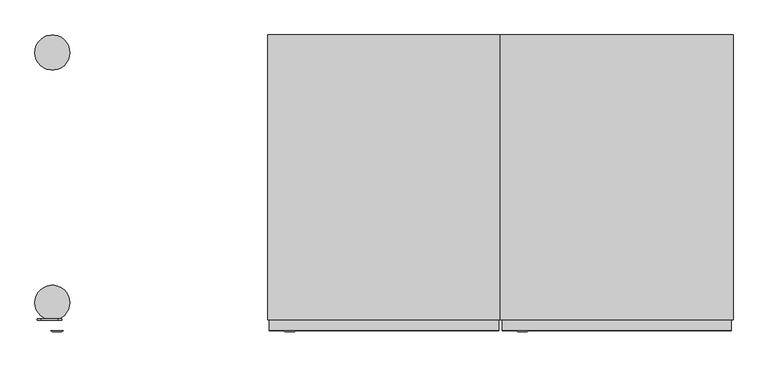
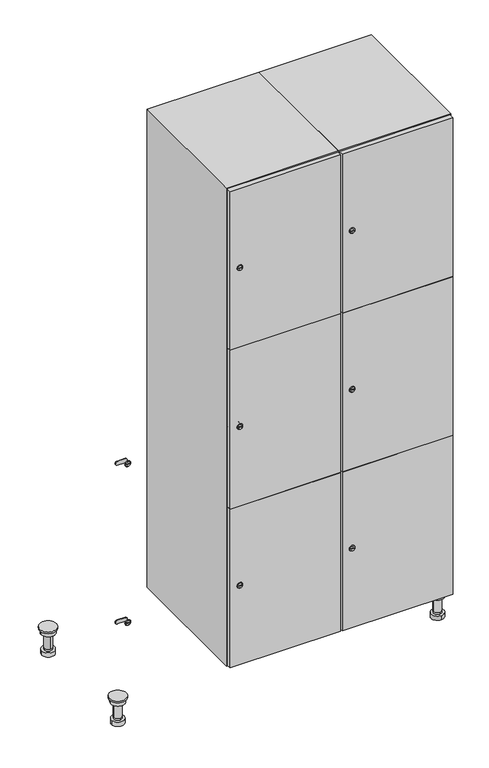
"""IFC4 building model written with IfcOpenShell, lengths in millimetres: furniture geometry."""

from ifc_helpers import new_model, si_unit, point, frame, frame_2d, origin, place, context, project, spatial, polyline, circle_curve, trimmed, segment, composite_curve, outline, extrude, faceted_brep, source, transform, mapped, element, save
from ifc_brep_helpers import plane_surface, cylinder_surface, revolved_surface, advanced_brep


def furniture_688e6725(model_context):
    return source(origin(), model_context, "Body", "SolidModel", [
        advanced_brep(
        [(970.0, -201.0, 22.0), (970.0, -201.5, 16.0), (970.0, -228.5, 16.0), (970.0, -229.0, 22.0), (956.0, -215.0, 22.0), (984.0, -215.0, 22.0), (970.0, -192.5, 16.0), (970.0, -237.5, 16.0), (970.0, -192.5, 0.0), (970.0, -237.5, 0.0), (984.0, -215.0, 78.0), (956.0, -215.0, 78.0), (995.0, -215.0, 78.0), (945.0, -215.0, 78.0), (1000.0, -215.0, 94.0), (940.0, -215.0, 94.0), (945.0, -215.0, 94.0), (995.0, -215.0, 94.0), (1000.0, -215.0, 100.0), (940.0, -215.0, 100.0)],
        [
            (0, 1),
            (1, 2, circle_curve(frame((970.0, -215.0, 16.0), z_axis=(0.0, 0.0, 1.0), x_axis=(0.0, -1.0, 0.0)), 13.5)),
            (2, 3),
            (3, 4, circle_curve(frame((970.0, -215.0, 22.0), z_axis=(0.0, 0.0, -1.0), x_axis=(0.0, -1.0, 0.0)), 14.0)),
            (4, 0, circle_curve(frame((970.0, -215.0, 22.0), z_axis=(0.0, 0.0, -1.0), x_axis=(0.0, -1.0, 0.0)), 14.0)),
            (0, 5, circle_curve(frame((970.0, -215.0, 22.0), z_axis=(0.0, 0.0, -1.0), x_axis=(0.0, 1.0, 0.0)), 14.0)),
            (5, 3, circle_curve(frame((970.0, -215.0, 22.0), z_axis=(0.0, 0.0, -1.0), x_axis=(0.0, 1.0, 0.0)), 14.0)),
            (2, 1, circle_curve(frame((970.0, -215.0, 16.0), z_axis=(0.0, 0.0, 1.0), x_axis=(0.0, 1.0, 0.0)), 13.5)),
            (6, 7, circle_curve(frame((970.0, -215.0, 16.0), z_axis=(0.0, 0.0, 1.0), x_axis=(0.0, -1.0, 0.0)), 22.5)),
            (7, 6, circle_curve(frame((970.0, -215.0, 16.0), z_axis=(0.0, 0.0, 1.0), x_axis=(0.0, -1.0, 0.0)), 22.5)),
            (8, 9, circle_curve(frame((970.0, -215.0, 0.0), z_axis=(0.0, 0.0, -1.0), x_axis=(0.0, -1.0, 0.0)), 22.5)),
            (9, 8, circle_curve(frame((970.0, -215.0, 0.0), z_axis=(0.0, 0.0, -1.0), x_axis=(0.0, -1.0, 0.0)), 22.5)),
            (6, 8),
            (9, 7),
            (5, 10),
            (10, 11, circle_curve(frame((970.0, -215.0, 78.0), z_axis=(0.0, 0.0, -1.0), x_axis=(-1.0, 0.0, 0.0)), 14.0)),
            (11, 4),
            (11, 10, circle_curve(frame((970.0, -215.0, 78.0), z_axis=(0.0, 0.0, -1.0), x_axis=(-1.0, 0.0, 0.0)), 14.0)),
            (12, 13, circle_curve(frame((970.0, -215.0, 78.0), z_axis=(0.0, 0.0, -1.0), x_axis=(-1.0, 0.0, 0.0)), 25.0)),
            (13, 12, circle_curve(frame((970.0, -215.0, 78.0), z_axis=(0.0, 0.0, -1.0), x_axis=(-1.0, 0.0, 0.0)), 25.0)),
            (14, 15, circle_curve(frame((970.0, -215.0, 94.0), z_axis=(0.0, 0.0, -1.0), x_axis=(-1.0, 0.0, 0.0)), 30.0)),
            (15, 14, circle_curve(frame((970.0, -215.0, 94.0), z_axis=(0.0, 0.0, -1.0), x_axis=(-1.0, 0.0, 0.0)), 30.0)),
            (16, 17, circle_curve(frame((970.0, -215.0, 94.0), z_axis=(0.0, 0.0, 1.0), x_axis=(-1.0, 0.0, 0.0)), 25.0)),
            (17, 16, circle_curve(frame((970.0, -215.0, 94.0), z_axis=(0.0, 0.0, 1.0), x_axis=(-1.0, 0.0, 0.0)), 25.0)),
            (18, 19, circle_curve(frame((970.0, -215.0, 100.0), z_axis=(0.0, 0.0, 1.0), x_axis=(-1.0, 0.0, 0.0)), 30.0)),
            (19, 18, circle_curve(frame((970.0, -215.0, 100.0), z_axis=(0.0, 0.0, 1.0), x_axis=(-1.0, 0.0, 0.0)), 30.0)),
            (14, 18),
            (19, 15),
            (12, 17),
            (16, 13),
        ],
        [
            revolved_surface(polyline([(970.0, -201.5, 16.0), (970.0, -201.0, 22.0)]), (970.0, -215.0, -146.0), (0.0, 0.0, 1.0)),
            plane_surface(frame((970.0, 0.0, 16.0), z_axis=(0.0, 0.0, 1.0), x_axis=(0.0, -1.0, 0.0))),
            plane_surface(frame((970.0, 0.0, 0.0), z_axis=(0.0, 0.0, -1.0), x_axis=(0.0, -1.0, 0.0))),
            cylinder_surface(frame((970.0, -215.0, 16.0), z_axis=(0.0, 0.0, 1.0), x_axis=(0.0, -1.0, 0.0)), 22.5),
            cylinder_surface(frame((970.0, -215.0, 22.0), z_axis=(0.0, 0.0, -1.0), x_axis=(-1.0, 0.0, 0.0)), 14.0),
            plane_surface(frame((970.0, 0.0, 78.0), z_axis=(0.0, 0.0, -1.0), x_axis=(0.0, -1.0, 0.0))),
            plane_surface(frame((970.0, 0.0, 94.0), z_axis=(0.0, 0.0, -1.0), x_axis=(0.0, -1.0, 0.0))),
            plane_surface(frame((970.0, 0.0, 100.0), z_axis=(0.0, 0.0, 1.0), x_axis=(0.0, -1.0, 0.0))),
            cylinder_surface(frame((970.0, -215.0, 94.0), z_axis=(0.0, 0.0, -1.0), x_axis=(-1.0, 0.0, 0.0)), 30.0),
            cylinder_surface(frame((970.0, -215.0, 78.0), z_axis=(0.0, 0.0, -1.0), x_axis=(-1.0, 0.0, 0.0)), 25.0),
        ],
        [
            (0, [[1, 2, 3, 4, 5]]),
            (0, [[-1, 6, 7, -3, 8]]),
            (1, [[9, 10], [-2, -8]]),
            (2, [[11, 12]]),
            (3, [[-9, 13, -12, 14]]),
            (3, [[-10, -14, -11, -13]]),
            (4, [[15, 16, 17, -4, -7]]),
            (4, [[-15, -6, -5, -17, 18]]),
            (5, [[19, 20], [-16, -18]]),
            (6, [[21, 22], [23, 24]]),
            (7, [[25, 26]]),
            (8, [[-21, 27, -26, 28]]),
            (8, [[-22, -28, -25, -27]]),
            (9, [[-19, 29, -23, 30]]),
            (9, [[-20, -30, -24, -29]]),
        ],
    ),
        advanced_brep(
        [(-170.0, -201.0, 22.0), (-170.0, -201.5, 16.0), (-170.0, -228.5, 16.0), (-170.0, -229.0, 22.0), (-184.0, -215.0, 22.0), (-156.0, -215.0, 22.0), (-147.5, -215.0, 0.0), (-192.5, -215.0, 0.0), (-147.5, -215.0, 16.0), (-192.5, -215.0, 16.0), (-156.0, -215.0, 78.0), (-184.0, -215.0, 78.0), (-145.0, -215.0, 78.0), (-195.0, -215.0, 78.0), (-140.0, -215.0, 94.0), (-200.0, -215.0, 94.0), (-195.0, -215.0, 94.0), (-145.0, -215.0, 94.0), (-140.0, -215.0, 100.0), (-200.0, -215.0, 100.0)],
        [
            (0, 1),
            (1, 2, circle_curve(frame((-170.0, -215.0, 16.0), z_axis=(0.0, 0.0, 1.0), x_axis=(0.0, -1.0, 0.0)), 13.5)),
            (2, 3),
            (3, 4, circle_curve(frame((-170.0, -215.0, 22.0), z_axis=(0.0, 0.0, -1.0), x_axis=(0.0, -1.0, 0.0)), 14.0)),
            (4, 0, circle_curve(frame((-170.0, -215.0, 22.0), z_axis=(0.0, 0.0, -1.0), x_axis=(0.0, -1.0, 0.0)), 14.0)),
            (0, 5, circle_curve(frame((-170.0, -215.0, 22.0), z_axis=(0.0, 0.0, -1.0), x_axis=(0.0, 1.0, 0.0)), 14.0)),
            (5, 3, circle_curve(frame((-170.0, -215.0, 22.0), z_axis=(0.0, 0.0, -1.0), x_axis=(0.0, 1.0, 0.0)), 14.0)),
            (2, 1, circle_curve(frame((-170.0, -215.0, 16.0), z_axis=(0.0, 0.0, 1.0), x_axis=(0.0, 1.0, 0.0)), 13.5)),
            (6, 7, circle_curve(frame((-170.0, -215.0, 0.0), z_axis=(0.0, 0.0, -1.0), x_axis=(-1.0, 0.0, 0.0)), 22.5)),
            (7, 6, circle_curve(frame((-170.0, -215.0, 0.0), z_axis=(0.0, 0.0, -1.0), x_axis=(-1.0, 0.0, 0.0)), 22.5)),
            (8, 9, circle_curve(frame((-170.0, -215.0, 16.0), z_axis=(0.0, 0.0, 1.0), x_axis=(-1.0, 0.0, 0.0)), 22.5)),
            (9, 8, circle_curve(frame((-170.0, -215.0, 16.0), z_axis=(0.0, 0.0, 1.0), x_axis=(-1.0, 0.0, 0.0)), 22.5)),
            (6, 8),
            (9, 7),
            (5, 10),
            (10, 11, circle_curve(frame((-170.0, -215.0, 78.0), z_axis=(0.0, 0.0, -1.0), x_axis=(-1.0, 0.0, 0.0)), 14.0)),
            (11, 4),
            (11, 10, circle_curve(frame((-170.0, -215.0, 78.0), z_axis=(0.0, 0.0, -1.0), x_axis=(-1.0, 0.0, 0.0)), 14.0)),
            (12, 13, circle_curve(frame((-170.0, -215.0, 78.0), z_axis=(0.0, 0.0, -1.0), x_axis=(-1.0, 0.0, 0.0)), 25.0)),
            (13, 12, circle_curve(frame((-170.0, -215.0, 78.0), z_axis=(0.0, 0.0, -1.0), x_axis=(-1.0, 0.0, 0.0)), 25.0)),
            (14, 15, circle_curve(frame((-170.0, -215.0, 94.0), z_axis=(0.0, 0.0, -1.0), x_axis=(-1.0, 0.0, 0.0)), 30.0)),
            (15, 14, circle_curve(frame((-170.0, -215.0, 94.0), z_axis=(0.0, 0.0, -1.0), x_axis=(-1.0, 0.0, 0.0)), 30.0)),
            (16, 17, circle_curve(frame((-170.0, -215.0, 94.0), z_axis=(0.0, 0.0, 1.0), x_axis=(-1.0, 0.0, 0.0)), 25.0)),
            (17, 16, circle_curve(frame((-170.0, -215.0, 94.0), z_axis=(0.0, 0.0, 1.0), x_axis=(-1.0, 0.0, 0.0)), 25.0)),
            (18, 19, circle_curve(frame((-170.0, -215.0, 100.0), z_axis=(0.0, 0.0, 1.0), x_axis=(-1.0, 0.0, 0.0)), 30.0)),
            (19, 18, circle_curve(frame((-170.0, -215.0, 100.0), z_axis=(0.0, 0.0, 1.0), x_axis=(-1.0, 0.0, 0.0)), 30.0)),
            (14, 18),
            (19, 15),
            (12, 17),
            (16, 13),
        ],
        [
            revolved_surface(polyline([(-170.0, -201.5, 16.0), (-170.0, -201.0, 22.0)]), (-170.0, -215.0, -146.0), (0.0, 0.0, 1.0)),
            plane_surface(frame((-170.0, 0.0, 0.0), z_axis=(0.0, 0.0, -1.0), x_axis=(0.0, -1.0, 0.0))),
            plane_surface(frame((-170.0, 0.0, 16.0), z_axis=(0.0, 0.0, 1.0), x_axis=(0.0, -1.0, 0.0))),
            cylinder_surface(frame((-170.0, -215.0, 0.0), z_axis=(0.0, 0.0, -1.0), x_axis=(-1.0, 0.0, 0.0)), 22.5),
            cylinder_surface(frame((-170.0, -215.0, 22.0), z_axis=(0.0, 0.0, -1.0), x_axis=(-1.0, 0.0, 0.0)), 14.0),
            plane_surface(frame((-170.0, 0.0, 78.0), z_axis=(0.0, 0.0, -1.0), x_axis=(0.0, -1.0, 0.0))),
            plane_surface(frame((-170.0, 0.0, 94.0), z_axis=(0.0, 0.0, -1.0), x_axis=(0.0, -1.0, 0.0))),
            plane_surface(frame((-170.0, 0.0, 100.0), z_axis=(0.0, 0.0, 1.0), x_axis=(0.0, -1.0, 0.0))),
            cylinder_surface(frame((-170.0, -215.0, 94.0), z_axis=(0.0, 0.0, -1.0), x_axis=(-1.0, 0.0, 0.0)), 30.0),
            cylinder_surface(frame((-170.0, -215.0, 78.0), z_axis=(0.0, 0.0, -1.0), x_axis=(-1.0, 0.0, 0.0)), 25.0),
        ],
        [
            (0, [[1, 2, 3, 4, 5]]),
            (0, [[-1, 6, 7, -3, 8]]),
            (1, [[9, 10]]),
            (2, [[11, 12], [-2, -8]]),
            (3, [[-9, 13, -12, 14]]),
            (3, [[-10, -14, -11, -13]]),
            (4, [[15, 16, 17, -4, -7]]),
            (4, [[-15, -6, -5, -17, 18]]),
            (5, [[19, 20], [-16, -18]]),
            (6, [[21, 22], [23, 24]]),
            (7, [[25, 26]]),
            (8, [[-21, 27, -26, 28]]),
            (8, [[-22, -28, -25, -27]]),
            (9, [[-19, 29, -23, 30]]),
            (9, [[-20, -30, -24, -29]]),
        ],
    ),
        advanced_brep(
        [(983.5, 215.0, 16.0), (984.0, 215.0, 22.0), (956.0, 215.0, 22.0), (956.5, 215.0, 16.0), (992.5, 215.0, 0.0), (947.5, 215.0, 0.0), (992.5, 215.0, 16.0), (947.5, 215.0, 16.0), (984.0, 215.0, 78.0), (956.0, 215.0, 78.0), (995.0, 215.0, 78.0), (945.0, 215.0, 78.0), (1000.0, 215.0, 94.0), (940.0, 215.0, 94.0), (945.0, 215.0, 94.0), (995.0, 215.0, 94.0), (1000.0, 215.0, 100.0), (940.0, 215.0, 100.0)],
        [
            (0, 1),
            (1, 2, circle_curve(frame((970.0, 215.0, 22.0), z_axis=(0.0, 0.0, -1.0), x_axis=(-1.0, 0.0, 0.0)), 14.0)),
            (2, 3),
            (3, 0, circle_curve(frame((970.0, 215.0, 16.0), z_axis=(0.0, 0.0, 1.0), x_axis=(-1.0, 0.0, 0.0)), 13.5)),
            (0, 3, circle_curve(frame((970.0, 215.0, 16.0), z_axis=(0.0, 0.0, 1.0), x_axis=(1.0, 0.0, 0.0)), 13.5)),
            (2, 1, circle_curve(frame((970.0, 215.0, 22.0), z_axis=(0.0, 0.0, -1.0), x_axis=(1.0, 0.0, 0.0)), 14.0)),
            (4, 5, circle_curve(frame((970.0, 215.0, 0.0), z_axis=(0.0, 0.0, -1.0), x_axis=(-1.0, 0.0, 0.0)), 22.5)),
            (5, 4, circle_curve(frame((970.0, 215.0, 0.0), z_axis=(0.0, 0.0, -1.0), x_axis=(-1.0, 0.0, 0.0)), 22.5)),
            (6, 7, circle_curve(frame((970.0, 215.0, 16.0), z_axis=(0.0, 0.0, 1.0), x_axis=(-1.0, 0.0, 0.0)), 22.5)),
            (7, 6, circle_curve(frame((970.0, 215.0, 16.0), z_axis=(0.0, 0.0, 1.0), x_axis=(-1.0, 0.0, 0.0)), 22.5)),
            (4, 6),
            (7, 5),
            (1, 8),
            (8, 9, circle_curve(frame((970.0, 215.0, 78.0), z_axis=(0.0, 0.0, -1.0), x_axis=(-1.0, 0.0, 0.0)), 14.0)),
            (9, 2),
            (9, 8, circle_curve(frame((970.0, 215.0, 78.0), z_axis=(0.0, 0.0, -1.0), x_axis=(-1.0, 0.0, 0.0)), 14.0)),
            (10, 11, circle_curve(frame((970.0, 215.0, 78.0), z_axis=(0.0, 0.0, -1.0), x_axis=(-1.0, 0.0, 0.0)), 25.0)),
            (11, 10, circle_curve(frame((970.0, 215.0, 78.0), z_axis=(0.0, 0.0, -1.0), x_axis=(-1.0, 0.0, 0.0)), 25.0)),
            (12, 13, circle_curve(frame((970.0, 215.0, 94.0), z_axis=(0.0, 0.0, -1.0), x_axis=(-1.0, 0.0, 0.0)), 30.0)),
            (13, 12, circle_curve(frame((970.0, 215.0, 94.0), z_axis=(0.0, 0.0, -1.0), x_axis=(-1.0, 0.0, 0.0)), 30.0)),
            (14, 15, circle_curve(frame((970.0, 215.0, 94.0), z_axis=(0.0, 0.0, 1.0), x_axis=(-1.0, 0.0, 0.0)), 25.0)),
            (15, 14, circle_curve(frame((970.0, 215.0, 94.0), z_axis=(0.0, 0.0, 1.0), x_axis=(-1.0, 0.0, 0.0)), 25.0)),
            (16, 17, circle_curve(frame((970.0, 215.0, 100.0), z_axis=(0.0, 0.0, 1.0), x_axis=(-1.0, 0.0, 0.0)), 30.0)),
            (17, 16, circle_curve(frame((970.0, 215.0, 100.0), z_axis=(0.0, 0.0, 1.0), x_axis=(-1.0, 0.0, 0.0)), 30.0)),
            (12, 16),
            (17, 13),
            (10, 15),
            (14, 11),
        ],
        [
            revolved_surface(polyline([(983.5, 215.0, 16.0), (984.0, 215.0, 22.0)]), (970.0, 215.0, -146.0), (0.0, 0.0, 1.0)),
            plane_surface(frame((970.0, 0.0, 0.0), z_axis=(0.0, 0.0, -1.0), x_axis=(0.0, -1.0, 0.0))),
            plane_surface(frame((970.0, 0.0, 16.0), z_axis=(0.0, 0.0, 1.0), x_axis=(0.0, -1.0, 0.0))),
            cylinder_surface(frame((970.0, 215.0, 0.0), z_axis=(0.0, 0.0, -1.0), x_axis=(-1.0, 0.0, 0.0)), 22.5),
            cylinder_surface(frame((970.0, 215.0, 22.0), z_axis=(0.0, 0.0, -1.0), x_axis=(-1.0, 0.0, 0.0)), 14.0),
            plane_surface(frame((970.0, 0.0, 78.0), z_axis=(0.0, 0.0, -1.0), x_axis=(0.0, -1.0, 0.0))),
            plane_surface(frame((970.0, 0.0, 94.0), z_axis=(0.0, 0.0, -1.0), x_axis=(0.0, -1.0, 0.0))),
            plane_surface(frame((970.0, 0.0, 100.0), z_axis=(0.0, 0.0, 1.0), x_axis=(0.0, -1.0, 0.0))),
            cylinder_surface(frame((970.0, 215.0, 94.0), z_axis=(0.0, 0.0, -1.0), x_axis=(-1.0, 0.0, 0.0)), 30.0),
            cylinder_surface(frame((970.0, 215.0, 78.0), z_axis=(0.0, 0.0, -1.0), x_axis=(-1.0, 0.0, 0.0)), 25.0),
        ],
        [
            (0, [[1, 2, 3, 4]]),
            (0, [[-1, 5, -3, 6]]),
            (1, [[7, 8]]),
            (2, [[9, 10], [-4, -5]]),
            (3, [[-7, 11, -10, 12]]),
            (3, [[-8, -12, -9, -11]]),
            (4, [[13, 14, 15, -2]]),
            (4, [[-13, -6, -15, 16]]),
            (5, [[17, 18], [-14, -16]]),
            (6, [[19, 20], [21, 22]]),
            (7, [[23, 24]]),
            (8, [[-19, 25, -24, 26]]),
            (8, [[-20, -26, -23, -25]]),
            (9, [[-17, 27, -21, 28]]),
            (9, [[-18, -28, -22, -27]]),
        ],
    ),
        advanced_brep(
        [(-156.5, 215.0, 16.0), (-156.0, 215.0, 22.0), (-170.0, 201.0, 22.0), (-184.0, 215.0, 22.0), (-183.5, 215.0, 16.0), (-170.0, 229.0, 22.0), (-147.5, 215.0, 0.0), (-192.5, 215.0, 0.0), (-147.5, 215.0, 16.0), (-192.5, 215.0, 16.0), (-170.0, 229.0, 78.0), (-170.0, 201.0, 78.0), (-145.0, 215.0, 78.0), (-195.0, 215.0, 78.0), (-140.0, 215.0, 94.0), (-200.0, 215.0, 94.0), (-195.0, 215.0, 94.0), (-145.0, 215.0, 94.0), (-140.0, 215.0, 100.0), (-200.0, 215.0, 100.0)],
        [
            (0, 1),
            (1, 2, circle_curve(frame((-170.0, 215.0, 22.0), z_axis=(0.0, 0.0, -1.0), x_axis=(-1.0, 0.0, 0.0)), 14.0)),
            (2, 3, circle_curve(frame((-170.0, 215.0, 22.0), z_axis=(0.0, 0.0, -1.0), x_axis=(-1.0, 0.0, 0.0)), 14.0)),
            (3, 4),
            (4, 0, circle_curve(frame((-170.0, 215.0, 16.0), z_axis=(0.0, 0.0, 1.0), x_axis=(-1.0, 0.0, 0.0)), 13.5)),
            (0, 4, circle_curve(frame((-170.0, 215.0, 16.0), z_axis=(0.0, 0.0, 1.0), x_axis=(1.0, 0.0, 0.0)), 13.5)),
            (3, 5, circle_curve(frame((-170.0, 215.0, 22.0), z_axis=(0.0, 0.0, -1.0), x_axis=(1.0, 0.0, 0.0)), 14.0)),
            (5, 1, circle_curve(frame((-170.0, 215.0, 22.0), z_axis=(0.0, 0.0, -1.0), x_axis=(1.0, 0.0, 0.0)), 14.0)),
            (6, 7, circle_curve(frame((-170.0, 215.0, 0.0), z_axis=(0.0, 0.0, -1.0), x_axis=(-1.0, 0.0, 0.0)), 22.5)),
            (7, 6, circle_curve(frame((-170.0, 215.0, 0.0), z_axis=(0.0, 0.0, -1.0), x_axis=(-1.0, 0.0, 0.0)), 22.5)),
            (8, 9, circle_curve(frame((-170.0, 215.0, 16.0), z_axis=(0.0, 0.0, 1.0), x_axis=(-1.0, 0.0, 0.0)), 22.5)),
            (9, 8, circle_curve(frame((-170.0, 215.0, 16.0), z_axis=(0.0, 0.0, 1.0), x_axis=(-1.0, 0.0, 0.0)), 22.5)),
            (6, 8),
            (9, 7),
            (10, 5),
            (2, 11),
            (11, 10, circle_curve(frame((-170.0, 215.0, 78.0), z_axis=(0.0, 0.0, -1.0), x_axis=(0.0, -1.0, 0.0)), 14.0)),
            (10, 11, circle_curve(frame((-170.0, 215.0, 78.0), z_axis=(0.0, 0.0, -1.0), x_axis=(0.0, -1.0, 0.0)), 14.0)),
            (12, 13, circle_curve(frame((-170.0, 215.0, 78.0), z_axis=(0.0, 0.0, -1.0), x_axis=(-1.0, 0.0, 0.0)), 25.0)),
            (13, 12, circle_curve(frame((-170.0, 215.0, 78.0), z_axis=(0.0, 0.0, -1.0), x_axis=(-1.0, 0.0, 0.0)), 25.0)),
            (14, 15, circle_curve(frame((-170.0, 215.0, 94.0), z_axis=(0.0, 0.0, -1.0), x_axis=(-1.0, 0.0, 0.0)), 30.0)),
            (15, 14, circle_curve(frame((-170.0, 215.0, 94.0), z_axis=(0.0, 0.0, -1.0), x_axis=(-1.0, 0.0, 0.0)), 30.0)),
            (16, 17, circle_curve(frame((-170.0, 215.0, 94.0), z_axis=(0.0, 0.0, 1.0), x_axis=(-1.0, 0.0, 0.0)), 25.0)),
            (17, 16, circle_curve(frame((-170.0, 215.0, 94.0), z_axis=(0.0, 0.0, 1.0), x_axis=(-1.0, 0.0, 0.0)), 25.0)),
            (18, 19, circle_curve(frame((-170.0, 215.0, 100.0), z_axis=(0.0, 0.0, 1.0), x_axis=(-1.0, 0.0, 0.0)), 30.0)),
            (19, 18, circle_curve(frame((-170.0, 215.0, 100.0), z_axis=(0.0, 0.0, 1.0), x_axis=(-1.0, 0.0, 0.0)), 30.0)),
            (14, 18),
            (19, 15),
            (12, 17),
            (16, 13),
        ],
        [
            revolved_surface(polyline([(-156.5, 215.0, 16.0), (-156.0, 215.0, 22.0)]), (-170.0, 215.0, -146.0), (0.0, 0.0, 1.0)),
            plane_surface(frame((-170.0, 0.0, 0.0), z_axis=(0.0, 0.0, -1.0), x_axis=(0.0, -1.0, 0.0))),
            plane_surface(frame((-170.0, 0.0, 16.0), z_axis=(0.0, 0.0, 1.0), x_axis=(0.0, -1.0, 0.0))),
            cylinder_surface(frame((-170.0, 215.0, 0.0), z_axis=(0.0, 0.0, -1.0), x_axis=(-1.0, 0.0, 0.0)), 22.5),
            cylinder_surface(frame((-170.0, 215.0, 78.0), z_axis=(0.0, 0.0, 1.0), x_axis=(0.0, -1.0, 0.0)), 14.0),
            plane_surface(frame((-170.0, 0.0, 78.0), z_axis=(0.0, 0.0, -1.0), x_axis=(0.0, -1.0, 0.0))),
            plane_surface(frame((-170.0, 0.0, 94.0), z_axis=(0.0, 0.0, -1.0), x_axis=(0.0, -1.0, 0.0))),
            plane_surface(frame((-170.0, 0.0, 100.0), z_axis=(0.0, 0.0, 1.0), x_axis=(0.0, -1.0, 0.0))),
            cylinder_surface(frame((-170.0, 215.0, 94.0), z_axis=(0.0, 0.0, -1.0), x_axis=(-1.0, 0.0, 0.0)), 30.0),
            cylinder_surface(frame((-170.0, 215.0, 78.0), z_axis=(0.0, 0.0, -1.0), x_axis=(-1.0, 0.0, 0.0)), 25.0),
        ],
        [
            (0, [[1, 2, 3, 4, 5]]),
            (0, [[-1, 6, -4, 7, 8]]),
            (1, [[9, 10]]),
            (2, [[11, 12], [-5, -6]]),
            (3, [[-9, 13, -12, 14]]),
            (3, [[-10, -14, -11, -13]]),
            (4, [[15, -7, -3, 16, 17]]),
            (4, [[-15, 18, -16, -2, -8]]),
            (5, [[19, 20], [-17, -18]]),
            (6, [[21, 22], [23, 24]]),
            (7, [[25, 26]]),
            (8, [[-21, 27, -26, 28]]),
            (8, [[-22, -28, -25, -27]]),
            (9, [[-19, 29, -23, 30]]),
            (9, [[-20, -30, -24, -29]]),
        ],
    ),
        extrude(outline(composite_curve([segment(trimmed(circle_curve(frame_2d((402.0, 611.2010534)), 7.0), [point((409.0, 611.2010534))], [point((395.0, 611.2010534))], False, "CARTESIAN"), True, "CONTINUOUS"), segment(polyline([(395.0, 611.2010534), (395.0, 639.2010534)]), True, "CONTINUOUS"), segment(trimmed(circle_curve(frame_2d((402.0, 639.2010534)), 7.0), [point((395.0, 639.2010534))], [point((409.0, 639.2010534))], False, "CARTESIAN"), True, "CONTINUOUS"), segment(polyline([(409.0, 639.2010534), (409.0, 611.2010534)]), True, "CONTINUOUS")], self_intersect=False)), frame((0.0, -245.0, 0.0), z_axis=(0.0, 1.0, 0.0), x_axis=(0.0, 0.0, 1.0)), (0.0, 0.0, 1.0), 2.0),
        advanced_brep(
        [(646.5, -265.2, 402.0), (629.5, -265.2, 402.0), (633.0, -265.2, 400.75), (633.0, -265.2, 403.25), (643.0, -265.2, 403.25), (643.0, -265.2, 400.75), (648.5, -263.0, 402.0), (627.5, -263.0, 402.0), (633.0, -263.0, 403.25), (633.0, -263.0, 400.75), (643.0, -263.0, 400.75), (643.0, -263.0, 403.25)],
        [
            (0, 1, circle_curve(frame((638.0, -265.2, 402.0), z_axis=(0.0, -1.0, 0.0), x_axis=(1.0, 0.0, 0.0)), 8.5)),
            (1, 0, circle_curve(frame((638.0, -265.2, 402.0), z_axis=(0.0, -1.0, 0.0), x_axis=(-1.0, 0.0, 0.0)), 8.5)),
            (2, 3),
            (3, 4),
            (4, 5),
            (5, 2),
            (6, 7, circle_curve(frame((638.0, -263.0, 402.0), z_axis=(0.0, 1.0, 0.0), x_axis=(-1.0, 0.0, 0.0)), 10.5)),
            (7, 6, circle_curve(frame((638.0, -263.0, 402.0), z_axis=(0.0, 1.0, 0.0), x_axis=(1.0, 0.0, 0.0)), 10.5)),
            (8, 9),
            (9, 10),
            (10, 11),
            (11, 8),
            (0, 6),
            (7, 1),
            (8, 3),
            (2, 9),
            (11, 4),
            (10, 5),
        ],
        [
            plane_surface(frame((638.0, -265.2, 402.0), z_axis=(0.0, -1.0, 0.0), x_axis=(0.0, 0.0, 1.0))),
            plane_surface(frame((638.0, -263.0, 402.0), z_axis=(0.0, 1.0, 0.0), x_axis=(0.0, 0.0, 1.0))),
            revolved_surface(polyline([(646.5, -265.2, 402.0), (648.5, -263.0, 402.0)]), (638.0, -274.55, 402.0), (0.0, 1.0, 0.0)),
            revolved_surface(polyline([(629.5, -265.2, 402.0), (627.5, -263.0, 402.0)]), (638.0, -274.55, 402.0), (0.0, 1.0, 0.0)),
            plane_surface(frame((633.0, -263.0, 400.75), z_axis=(1.0, 0.0, 0.0), x_axis=(0.0, -1.0, 0.0))),
            plane_surface(frame((633.0, -263.0, 403.25), z_axis=(0.0, 0.0, -1.0), x_axis=(0.0, -1.0, 0.0))),
            plane_surface(frame((643.0, -263.0, 403.25), z_axis=(-1.0, 0.0, 0.0), x_axis=(0.0, -1.0, 0.0))),
            plane_surface(frame((643.0, -263.0, 400.75), z_axis=(0.0, 0.0, 1.0), x_axis=(0.0, -1.0, 0.0))),
        ],
        [
            (0, [[1, 2], [3, 4, 5, 6]]),
            (1, [[7, 8], [9, 10, 11, 12]]),
            (2, [[-1, 13, -8, 14]]),
            (3, [[-2, -14, -7, -13]]),
            (4, [[15, -3, 16, -9]]),
            (5, [[-15, -12, 17, -4]]),
            (6, [[-17, -11, 18, -5]]),
            (7, [[-16, -6, -18, -10]]),
        ],
    ),
        extrude(outline(composite_curve([segment(trimmed(circle_curve(frame_2d((1000.0, 611.2010534)), 7.0), [point((1007.0, 611.2010534))], [point((993.0, 611.2010534))], False, "CARTESIAN"), True, "CONTINUOUS"), segment(polyline([(993.0, 611.2010534), (993.0, 639.2010534)]), True, "CONTINUOUS"), segment(trimmed(circle_curve(frame_2d((1000.0, 639.2010534)), 7.0), [point((993.0, 639.2010534))], [point((1007.0, 639.2010534))], False, "CARTESIAN"), True, "CONTINUOUS"), segment(polyline([(1007.0, 639.2010534), (1007.0, 611.2010534)]), True, "CONTINUOUS")], self_intersect=False)), frame((0.0, -245.0, 0.0), z_axis=(0.0, 1.0, 0.0), x_axis=(0.0, 0.0, 1.0)), (0.0, 0.0, 1.0), 2.0),
        advanced_brep(
        [(646.5, -265.2, 1000.0), (629.5, -265.2, 1000.0), (633.0, -265.2, 998.75), (633.0, -265.2, 1001.25), (643.0, -265.2, 1001.25), (643.0, -265.2, 998.75), (648.5, -263.0, 1000.0), (627.5, -263.0, 1000.0), (633.0, -263.0, 1001.25), (633.0, -263.0, 998.75), (643.0, -263.0, 998.75), (643.0, -263.0, 1001.25)],
        [
            (0, 1, circle_curve(frame((638.0, -265.2, 1000.0), z_axis=(0.0, -1.0, 0.0), x_axis=(1.0, 0.0, 0.0)), 8.5)),
            (1, 0, circle_curve(frame((638.0, -265.2, 1000.0), z_axis=(0.0, -1.0, 0.0), x_axis=(-1.0, 0.0, 0.0)), 8.5)),
            (2, 3),
            (3, 4),
            (4, 5),
            (5, 2),
            (6, 7, circle_curve(frame((638.0, -263.0, 1000.0), z_axis=(0.0, 1.0, 0.0), x_axis=(-1.0, 0.0, 0.0)), 10.5)),
            (7, 6, circle_curve(frame((638.0, -263.0, 1000.0), z_axis=(0.0, 1.0, 0.0), x_axis=(1.0, 0.0, 0.0)), 10.5)),
            (8, 9),
            (9, 10),
            (10, 11),
            (11, 8),
            (0, 6),
            (7, 1),
            (8, 3),
            (2, 9),
            (11, 4),
            (10, 5),
        ],
        [
            plane_surface(frame((638.0, -265.2, 1000.0), z_axis=(0.0, -1.0, 0.0), x_axis=(0.0, 0.0, 1.0))),
            plane_surface(frame((638.0, -263.0, 1000.0), z_axis=(0.0, 1.0, 0.0), x_axis=(0.0, 0.0, 1.0))),
            revolved_surface(polyline([(646.5, -265.2, 1000.0), (648.5, -263.0, 1000.0)]), (638.0, -274.55, 1000.0), (0.0, 1.0, 0.0)),
            revolved_surface(polyline([(629.5, -265.2, 1000.0), (627.5, -263.0, 1000.0)]), (638.0, -274.55, 1000.0), (0.0, 1.0, 0.0)),
            plane_surface(frame((633.0, -263.0, 998.75), z_axis=(1.0, 0.0, 0.0), x_axis=(0.0, -1.0, 0.0))),
            plane_surface(frame((633.0, -263.0, 1001.25), z_axis=(0.0, 0.0, -1.0), x_axis=(0.0, -1.0, 0.0))),
            plane_surface(frame((643.0, -263.0, 1001.25), z_axis=(-1.0, 0.0, 0.0), x_axis=(0.0, -1.0, 0.0))),
            plane_surface(frame((643.0, -263.0, 998.75), z_axis=(0.0, 0.0, 1.0), x_axis=(0.0, -1.0, 0.0))),
        ],
        [
            (0, [[1, 2], [3, 4, 5, 6]]),
            (1, [[7, 8], [9, 10, 11, 12]]),
            (2, [[-1, 13, -8, 14]]),
            (3, [[-2, -14, -7, -13]]),
            (4, [[15, -3, 16, -9]]),
            (5, [[-15, -12, 17, -4]]),
            (6, [[-17, -11, 18, -5]]),
            (7, [[-16, -6, -18, -10]]),
        ],
    ),
        extrude(outline(composite_curve([segment(trimmed(circle_curve(frame_2d((1598.0, 611.2010534)), 7.0), [point((1605.0, 611.2010534))], [point((1591.0, 611.2010534))], False, "CARTESIAN"), True, "CONTINUOUS"), segment(polyline([(1591.0, 611.2010534), (1591.0, 639.2010534)]), True, "CONTINUOUS"), segment(trimmed(circle_curve(frame_2d((1598.0, 639.2010534)), 7.0), [point((1591.0, 639.2010534))], [point((1605.0, 639.2010534))], False, "CARTESIAN"), True, "CONTINUOUS"), segment(polyline([(1605.0, 639.2010534), (1605.0, 611.2010534)]), True, "CONTINUOUS")], self_intersect=False)), frame((0.0, -245.0, 0.0), z_axis=(0.0, 1.0, 0.0), x_axis=(0.0, 0.0, 1.0)), (0.0, 0.0, 1.0), 2.0),
        advanced_brep(
        [(646.5, -265.2, 1598.0), (629.5, -265.2, 1598.0), (633.0, -265.2, 1596.75), (633.0, -265.2, 1599.25), (643.0, -265.2, 1599.25), (643.0, -265.2, 1596.75), (648.5, -263.0, 1598.0), (627.5, -263.0, 1598.0), (633.0, -263.0, 1599.25), (633.0, -263.0, 1596.75), (643.0, -263.0, 1596.75), (643.0, -263.0, 1599.25)],
        [
            (0, 1, circle_curve(frame((638.0, -265.2, 1598.0), z_axis=(0.0, -1.0, 0.0), x_axis=(1.0, 0.0, 0.0)), 8.5)),
            (1, 0, circle_curve(frame((638.0, -265.2, 1598.0), z_axis=(0.0, -1.0, 0.0), x_axis=(-1.0, 0.0, 0.0)), 8.5)),
            (2, 3),
            (3, 4),
            (4, 5),
            (5, 2),
            (6, 7, circle_curve(frame((638.0, -263.0, 1598.0), z_axis=(0.0, 1.0, 0.0), x_axis=(-1.0, 0.0, 0.0)), 10.5)),
            (7, 6, circle_curve(frame((638.0, -263.0, 1598.0), z_axis=(0.0, 1.0, 0.0), x_axis=(1.0, 0.0, 0.0)), 10.5)),
            (8, 9),
            (9, 10),
            (10, 11),
            (11, 8),
            (0, 6),
            (7, 1),
            (8, 3),
            (2, 9),
            (11, 4),
            (10, 5),
        ],
        [
            plane_surface(frame((638.0, -265.2, 1598.0), z_axis=(0.0, -1.0, 0.0), x_axis=(0.0, 0.0, 1.0))),
            plane_surface(frame((638.0, -263.0, 1598.0), z_axis=(0.0, 1.0, 0.0), x_axis=(0.0, 0.0, 1.0))),
            revolved_surface(polyline([(646.5, -265.2, 1598.0), (648.5, -263.0, 1598.0)]), (638.0, -274.55, 1598.0), (0.0, 1.0, 0.0)),
            revolved_surface(polyline([(629.5, -265.2, 1598.0), (627.5, -263.0, 1598.0)]), (638.0, -274.55, 1598.0), (0.0, 1.0, 0.0)),
            plane_surface(frame((633.0, -263.0, 1596.75), z_axis=(1.0, 0.0, 0.0), x_axis=(0.0, -1.0, 0.0))),
            plane_surface(frame((633.0, -263.0, 1599.25), z_axis=(0.0, 0.0, -1.0), x_axis=(0.0, -1.0, 0.0))),
            plane_surface(frame((643.0, -263.0, 1599.25), z_axis=(-1.0, 0.0, 0.0), x_axis=(0.0, -1.0, 0.0))),
            plane_surface(frame((643.0, -263.0, 1596.75), z_axis=(0.0, 0.0, 1.0), x_axis=(0.0, -1.0, 0.0))),
        ],
        [
            (0, [[1, 2], [3, 4, 5, 6]]),
            (1, [[7, 8], [9, 10, 11, 12]]),
            (2, [[-1, 13, -8, 14]]),
            (3, [[-2, -14, -7, -13]]),
            (4, [[15, -3, 16, -9]]),
            (5, [[-15, -12, 17, -4]]),
            (6, [[-17, -11, 18, -5]]),
            (7, [[-16, -6, -18, -10]]),
        ],
    ),
        extrude(outline(polyline([(997.0, -245.0), (997.0, -263.0), (603.0, -263.0), (603.0, -245.0), (997.0, -245.0)])), frame((0.0, 0.0, 701.5), z_axis=(0.0, 0.0, 1.0), x_axis=(1.0, 0.0, 0.0)), (0.0, 0.0, 1.0), 597.0),
        extrude(outline(polyline([(603.0, -263.0), (603.0, -245.0), (997.0, -245.0), (997.0, -263.0), (603.0, -263.0)])), frame((0.0, 0.0, 1299.5), z_axis=(0.0, 0.0, 1.0), x_axis=(1.0, 0.0, 0.0)), (0.0, 0.0, 1.0), 597.5),
        extrude(outline(polyline([(997.0, -245.0), (997.0, -263.0), (603.0, -263.0), (603.0, -245.0), (997.0, -245.0)])), frame((0.0, 0.0, 103.0), z_axis=(0.0, 0.0, 1.0), x_axis=(1.0, 0.0, 0.0)), (0.0, 0.0, 1.0), 597.5),
        extrude(outline(polyline([(982.0, 227.0), (982.0, -227.0), (618.0, -227.0), (618.0, 227.0), (982.0, 227.0)])), frame((0.0, 0.0, 1285.0), z_axis=(0.0, 0.0, 1.0), x_axis=(1.0, 0.0, 0.0)), (0.0, 0.0, 1.0), 18.0),
        extrude(outline(polyline([(618.0, 227.0), (982.0, 227.0), (982.0, -227.0), (618.0, -227.0), (618.0, 227.0)])), frame((0.0, 0.0, 697.0), z_axis=(0.0, 0.0, 1.0), x_axis=(1.0, 0.0, 0.0)), (0.0, 0.0, 1.0), 18.0),
        faceted_brep([(1000.0, -245.0, 100.0), (1000.0, -245.0, 1900.0), (600.0, -245.0, 1900.0), (600.0, -245.0, 100.0), (982.0, -245.0, 1882.0), (982.0, -245.0, 118.0), (618.0, -245.0, 118.0), (618.0, -245.0, 1882.0), (1000.0, 245.0, 100.0), (600.0, 245.0, 100.0), (1000.0, 245.0, 1900.0), (600.0, 245.0, 1900.0), (982.0, 227.0, 1882.0), (982.0, 227.0, 118.0), (600.0, 245.0, 1882.0), (618.0, 227.0, 1882.0), (618.0, 227.0, 118.0)], [[[0, 1, 2, 3], [4, 5, 6, 7]], [[8, 0, 3, 9]], [[1, 0, 8, 10]], [[1, 10, 11, 2]], [[4, 12, 13, 5]], [[9, 3, 2, 11, 14]], [[10, 8, 9, 14, 11]], [[12, 15, 16, 13]], [[15, 7, 6, 16]], [[4, 7, 15, 12]], [[6, 5, 13, 16]]]),
        extrude(outline(composite_curve([segment(trimmed(circle_curve(frame_2d((402.0, 211.2010534)), 7.0), [point((409.0, 211.2010534))], [point((395.0, 211.2010534))], False, "CARTESIAN"), True, "CONTINUOUS"), segment(polyline([(395.0, 211.2010534), (395.0, 239.2010534)]), True, "CONTINUOUS"), segment(trimmed(circle_curve(frame_2d((402.0, 239.2010534)), 7.0), [point((395.0, 239.2010534))], [point((409.0, 239.2010534))], False, "CARTESIAN"), True, "CONTINUOUS"), segment(polyline([(409.0, 239.2010534), (409.0, 211.2010534)]), True, "CONTINUOUS")], self_intersect=False)), frame((0.0, -245.0, 0.0), z_axis=(0.0, 1.0, 0.0), x_axis=(0.0, 0.0, 1.0)), (0.0, 0.0, 1.0), 2.0),
        advanced_brep(
        [(246.5, -265.2, 402.0), (229.5, -265.2, 402.0), (233.0, -265.2, 400.75), (233.0, -265.2, 403.25), (243.0, -265.2, 403.25), (243.0, -265.2, 400.75), (248.5, -263.0, 402.0), (227.5, -263.0, 402.0), (233.0, -263.0, 403.25), (233.0, -263.0, 400.75), (243.0, -263.0, 400.75), (243.0, -263.0, 403.25)],
        [
            (0, 1, circle_curve(frame((238.0, -265.2, 402.0), z_axis=(0.0, -1.0, 0.0), x_axis=(1.0, 0.0, 0.0)), 8.5)),
            (1, 0, circle_curve(frame((238.0, -265.2, 402.0), z_axis=(0.0, -1.0, 0.0), x_axis=(-1.0, 0.0, 0.0)), 8.5)),
            (2, 3),
            (3, 4),
            (4, 5),
            (5, 2),
            (6, 7, circle_curve(frame((238.0, -263.0, 402.0), z_axis=(0.0, 1.0, 0.0), x_axis=(-1.0, 0.0, 0.0)), 10.5)),
            (7, 6, circle_curve(frame((238.0, -263.0, 402.0), z_axis=(0.0, 1.0, 0.0), x_axis=(1.0, 0.0, 0.0)), 10.5)),
            (8, 9),
            (9, 10),
            (10, 11),
            (11, 8),
            (0, 6),
            (7, 1),
            (8, 3),
            (2, 9),
            (11, 4),
            (10, 5),
        ],
        [
            plane_surface(frame((238.0, -265.2, 402.0), z_axis=(0.0, -1.0, 0.0), x_axis=(0.0, 0.0, 1.0))),
            plane_surface(frame((238.0, -263.0, 402.0), z_axis=(0.0, 1.0, 0.0), x_axis=(0.0, 0.0, 1.0))),
            revolved_surface(polyline([(246.5, -265.2, 402.0), (248.5, -263.0, 402.0)]), (238.0, -274.55, 402.0), (0.0, 1.0, 0.0)),
            revolved_surface(polyline([(229.5, -265.2, 402.0), (227.5, -263.0, 402.0)]), (238.0, -274.55, 402.0), (0.0, 1.0, 0.0)),
            plane_surface(frame((233.0, -263.0, 400.75), z_axis=(1.0, 0.0, 0.0), x_axis=(0.0, -1.0, 0.0))),
            plane_surface(frame((233.0, -263.0, 403.25), z_axis=(0.0, 0.0, -1.0), x_axis=(0.0, -1.0, 0.0))),
            plane_surface(frame((243.0, -263.0, 403.25), z_axis=(-1.0, 0.0, 0.0), x_axis=(0.0, -1.0, 0.0))),
            plane_surface(frame((243.0, -263.0, 400.75), z_axis=(0.0, 0.0, 1.0), x_axis=(0.0, -1.0, 0.0))),
        ],
        [
            (0, [[1, 2], [3, 4, 5, 6]]),
            (1, [[7, 8], [9, 10, 11, 12]]),
            (2, [[-1, 13, -8, 14]]),
            (3, [[-2, -14, -7, -13]]),
            (4, [[15, -3, 16, -9]]),
            (5, [[-15, -12, 17, -4]]),
            (6, [[-17, -11, 18, -5]]),
            (7, [[-16, -6, -18, -10]]),
        ],
    ),
        extrude(outline(composite_curve([segment(trimmed(circle_curve(frame_2d((1000.0, 211.2010534)), 7.0), [point((1007.0, 211.2010534))], [point((993.0, 211.2010534))], False, "CARTESIAN"), True, "CONTINUOUS"), segment(polyline([(993.0, 211.2010534), (993.0, 239.2010534)]), True, "CONTINUOUS"), segment(trimmed(circle_curve(frame_2d((1000.0, 239.2010534)), 7.0), [point((993.0, 239.2010534))], [point((1007.0, 239.2010534))], False, "CARTESIAN"), True, "CONTINUOUS"), segment(polyline([(1007.0, 239.2010534), (1007.0, 211.2010534)]), True, "CONTINUOUS")], self_intersect=False)), frame((0.0, -245.0, 0.0), z_axis=(0.0, 1.0, 0.0), x_axis=(0.0, 0.0, 1.0)), (0.0, 0.0, 1.0), 2.0),
        advanced_brep(
        [(246.5, -265.2, 1000.0), (229.5, -265.2, 1000.0), (233.0, -265.2, 998.75), (233.0, -265.2, 1001.25), (243.0, -265.2, 1001.25), (243.0, -265.2, 998.75), (248.5, -263.0, 1000.0), (227.5, -263.0, 1000.0), (233.0, -263.0, 1001.25), (233.0, -263.0, 998.75), (243.0, -263.0, 998.75), (243.0, -263.0, 1001.25)],
        [
            (0, 1, circle_curve(frame((238.0, -265.2, 1000.0), z_axis=(0.0, -1.0, 0.0), x_axis=(1.0, 0.0, 0.0)), 8.5)),
            (1, 0, circle_curve(frame((238.0, -265.2, 1000.0), z_axis=(0.0, -1.0, 0.0), x_axis=(-1.0, 0.0, 0.0)), 8.5)),
            (2, 3),
            (3, 4),
            (4, 5),
            (5, 2),
            (6, 7, circle_curve(frame((238.0, -263.0, 1000.0), z_axis=(0.0, 1.0, 0.0), x_axis=(-1.0, 0.0, 0.0)), 10.5)),
            (7, 6, circle_curve(frame((238.0, -263.0, 1000.0), z_axis=(0.0, 1.0, 0.0), x_axis=(1.0, 0.0, 0.0)), 10.5)),
            (8, 9),
            (9, 10),
            (10, 11),
            (11, 8),
            (0, 6),
            (7, 1),
            (8, 3),
            (2, 9),
            (11, 4),
            (10, 5),
        ],
        [
            plane_surface(frame((238.0, -265.2, 1000.0), z_axis=(0.0, -1.0, 0.0), x_axis=(0.0, 0.0, 1.0))),
            plane_surface(frame((238.0, -263.0, 1000.0), z_axis=(0.0, 1.0, 0.0), x_axis=(0.0, 0.0, 1.0))),
            revolved_surface(polyline([(246.5, -265.2, 1000.0), (248.5, -263.0, 1000.0)]), (238.0, -274.55, 1000.0), (0.0, 1.0, 0.0)),
            revolved_surface(polyline([(229.5, -265.2, 1000.0), (227.5, -263.0, 1000.0)]), (238.0, -274.55, 1000.0), (0.0, 1.0, 0.0)),
            plane_surface(frame((233.0, -263.0, 998.75), z_axis=(1.0, 0.0, 0.0), x_axis=(0.0, -1.0, 0.0))),
            plane_surface(frame((233.0, -263.0, 1001.25), z_axis=(0.0, 0.0, -1.0), x_axis=(0.0, -1.0, 0.0))),
            plane_surface(frame((243.0, -263.0, 1001.25), z_axis=(-1.0, 0.0, 0.0), x_axis=(0.0, -1.0, 0.0))),
            plane_surface(frame((243.0, -263.0, 998.75), z_axis=(0.0, 0.0, 1.0), x_axis=(0.0, -1.0, 0.0))),
        ],
        [
            (0, [[1, 2], [3, 4, 5, 6]]),
            (1, [[7, 8], [9, 10, 11, 12]]),
            (2, [[-1, 13, -8, 14]]),
            (3, [[-2, -14, -7, -13]]),
            (4, [[15, -3, 16, -9]]),
            (5, [[-15, -12, 17, -4]]),
            (6, [[-17, -11, 18, -5]]),
            (7, [[-16, -6, -18, -10]]),
        ],
    ),
        extrude(outline(composite_curve([segment(trimmed(circle_curve(frame_2d((1598.0, 211.2010534)), 7.0), [point((1605.0, 211.2010534))], [point((1591.0, 211.2010534))], False, "CARTESIAN"), True, "CONTINUOUS"), segment(polyline([(1591.0, 211.2010534), (1591.0, 239.2010534)]), True, "CONTINUOUS"), segment(trimmed(circle_curve(frame_2d((1598.0, 239.2010534)), 7.0), [point((1591.0, 239.2010534))], [point((1605.0, 239.2010534))], False, "CARTESIAN"), True, "CONTINUOUS"), segment(polyline([(1605.0, 239.2010534), (1605.0, 211.2010534)]), True, "CONTINUOUS")], self_intersect=False)), frame((0.0, -245.0, 0.0), z_axis=(0.0, 1.0, 0.0), x_axis=(0.0, 0.0, 1.0)), (0.0, 0.0, 1.0), 2.0),
        advanced_brep(
        [(246.5, -265.2, 1598.0), (229.5, -265.2, 1598.0), (233.0, -265.2, 1596.75), (233.0, -265.2, 1599.25), (243.0, -265.2, 1599.25), (243.0, -265.2, 1596.75), (248.5, -263.0, 1598.0), (227.5, -263.0, 1598.0), (233.0, -263.0, 1599.25), (233.0, -263.0, 1596.75), (243.0, -263.0, 1596.75), (243.0, -263.0, 1599.25)],
        [
            (0, 1, circle_curve(frame((238.0, -265.2, 1598.0), z_axis=(0.0, -1.0, 0.0), x_axis=(1.0, 0.0, 0.0)), 8.5)),
            (1, 0, circle_curve(frame((238.0, -265.2, 1598.0), z_axis=(0.0, -1.0, 0.0), x_axis=(-1.0, 0.0, 0.0)), 8.5)),
            (2, 3),
            (3, 4),
            (4, 5),
            (5, 2),
            (6, 7, circle_curve(frame((238.0, -263.0, 1598.0), z_axis=(0.0, 1.0, 0.0), x_axis=(-1.0, 0.0, 0.0)), 10.5)),
            (7, 6, circle_curve(frame((238.0, -263.0, 1598.0), z_axis=(0.0, 1.0, 0.0), x_axis=(1.0, 0.0, 0.0)), 10.5)),
            (8, 9),
            (9, 10),
            (10, 11),
            (11, 8),
            (0, 6),
            (7, 1),
            (8, 3),
            (2, 9),
            (11, 4),
            (10, 5),
        ],
        [
            plane_surface(frame((238.0, -265.2, 1598.0), z_axis=(0.0, -1.0, 0.0), x_axis=(0.0, 0.0, 1.0))),
            plane_surface(frame((238.0, -263.0, 1598.0), z_axis=(0.0, 1.0, 0.0), x_axis=(0.0, 0.0, 1.0))),
            revolved_surface(polyline([(246.5, -265.2, 1598.0), (248.5, -263.0, 1598.0)]), (238.0, -274.55, 1598.0), (0.0, 1.0, 0.0)),
            revolved_surface(polyline([(229.5, -265.2, 1598.0), (227.5, -263.0, 1598.0)]), (238.0, -274.55, 1598.0), (0.0, 1.0, 0.0)),
            plane_surface(frame((233.0, -263.0, 1596.75), z_axis=(1.0, 0.0, 0.0), x_axis=(0.0, -1.0, 0.0))),
            plane_surface(frame((233.0, -263.0, 1599.25), z_axis=(0.0, 0.0, -1.0), x_axis=(0.0, -1.0, 0.0))),
            plane_surface(frame((243.0, -263.0, 1599.25), z_axis=(-1.0, 0.0, 0.0), x_axis=(0.0, -1.0, 0.0))),
            plane_surface(frame((243.0, -263.0, 1596.75), z_axis=(0.0, 0.0, 1.0), x_axis=(0.0, -1.0, 0.0))),
        ],
        [
            (0, [[1, 2], [3, 4, 5, 6]]),
            (1, [[7, 8], [9, 10, 11, 12]]),
            (2, [[-1, 13, -8, 14]]),
            (3, [[-2, -14, -7, -13]]),
            (4, [[15, -3, 16, -9]]),
            (5, [[-15, -12, 17, -4]]),
            (6, [[-17, -11, 18, -5]]),
            (7, [[-16, -6, -18, -10]]),
        ],
    ),
        extrude(outline(polyline([(597.0, -245.0), (597.0, -263.0), (203.0, -263.0), (203.0, -245.0), (597.0, -245.0)])), frame((0.0, 0.0, 701.5), z_axis=(0.0, 0.0, 1.0), x_axis=(1.0, 0.0, 0.0)), (0.0, 0.0, 1.0), 597.0),
        extrude(outline(polyline([(203.0, -263.0), (203.0, -245.0), (597.0, -245.0), (597.0, -263.0), (203.0, -263.0)])), frame((0.0, 0.0, 1299.5), z_axis=(0.0, 0.0, 1.0), x_axis=(1.0, 0.0, 0.0)), (0.0, 0.0, 1.0), 597.5),
        extrude(outline(polyline([(597.0, -245.0), (597.0, -263.0), (203.0, -263.0), (203.0, -245.0), (597.0, -245.0)])), frame((0.0, 0.0, 103.0), z_axis=(0.0, 0.0, 1.0), x_axis=(1.0, 0.0, 0.0)), (0.0, 0.0, 1.0), 597.5),
        extrude(outline(polyline([(582.0, 227.0), (582.0, -227.0), (218.0, -227.0), (218.0, 227.0), (582.0, 227.0)])), frame((0.0, 0.0, 1285.0), z_axis=(0.0, 0.0, 1.0), x_axis=(1.0, 0.0, 0.0)), (0.0, 0.0, 1.0), 18.0),
        extrude(outline(polyline([(218.0, 227.0), (582.0, 227.0), (582.0, -227.0), (218.0, -227.0), (218.0, 227.0)])), frame((0.0, 0.0, 697.0), z_axis=(0.0, 0.0, 1.0), x_axis=(1.0, 0.0, 0.0)), (0.0, 0.0, 1.0), 18.0),
        faceted_brep([(600.0, -245.0, 100.0), (600.0, -245.0, 1900.0), (200.0, -245.0, 1900.0), (200.0, -245.0, 100.0), (582.0, -245.0, 1882.0), (582.0, -245.0, 118.0), (218.0, -245.0, 118.0), (218.0, -245.0, 1882.0), (600.0, 245.0, 100.0), (200.0, 245.0, 100.0), (600.0, 245.0, 1900.0), (200.0, 245.0, 1900.0), (582.0, 227.0, 1882.0), (582.0, 227.0, 118.0), (200.0, 245.0, 1882.0), (218.0, 227.0, 1882.0), (218.0, 227.0, 118.0)], [[[0, 1, 2, 3], [4, 5, 6, 7]], [[8, 0, 3, 9]], [[1, 0, 8, 10]], [[1, 10, 11, 2]], [[4, 12, 13, 5]], [[9, 3, 2, 11, 14]], [[10, 8, 9, 14, 11]], [[12, 15, 16, 13]], [[15, 7, 6, 16]], [[4, 7, 15, 12]], [[6, 5, 13, 16]]]),
        extrude(outline(composite_curve([segment(trimmed(circle_curve(frame_2d((402.0, -188.7989466)), 7.0), [point((409.0, -188.7989466))], [point((395.0, -188.7989466))], False, "CARTESIAN"), True, "CONTINUOUS"), segment(polyline([(395.0, -188.7989466), (395.0, -160.7989466)]), True, "CONTINUOUS"), segment(trimmed(circle_curve(frame_2d((402.0, -160.7989466)), 7.0), [point((395.0, -160.7989466))], [point((409.0, -160.7989466))], False, "CARTESIAN"), True, "CONTINUOUS"), segment(polyline([(409.0, -160.7989466), (409.0, -188.7989466)]), True, "CONTINUOUS")], self_intersect=False)), frame((0.0, -245.0, 0.0), z_axis=(0.0, 1.0, 0.0), x_axis=(0.0, 0.0, 1.0)), (0.0, 0.0, 1.0), 2.0),
        advanced_brep(
        [(-153.5, -265.2, 402.0), (-170.5, -265.2, 402.0), (-167.0, -265.2, 400.75), (-167.0, -265.2, 403.25), (-157.0, -265.2, 403.25), (-157.0, -265.2, 400.75), (-151.5, -263.0, 402.0), (-172.5, -263.0, 402.0), (-167.0, -263.0, 403.25), (-167.0, -263.0, 400.75), (-157.0, -263.0, 400.75), (-157.0, -263.0, 403.25)],
        [
            (0, 1, circle_curve(frame((-162.0, -265.2, 402.0), z_axis=(0.0, -1.0, 0.0), x_axis=(1.0, 0.0, 0.0)), 8.5)),
            (1, 0, circle_curve(frame((-162.0, -265.2, 402.0), z_axis=(0.0, -1.0, 0.0), x_axis=(-1.0, 0.0, 0.0)), 8.5)),
            (2, 3),
            (3, 4),
            (4, 5),
            (5, 2),
            (6, 7, circle_curve(frame((-162.0, -263.0, 402.0), z_axis=(0.0, 1.0, 0.0), x_axis=(-1.0, 0.0, 0.0)), 10.5)),
            (7, 6, circle_curve(frame((-162.0, -263.0, 402.0), z_axis=(0.0, 1.0, 0.0), x_axis=(1.0, 0.0, 0.0)), 10.5)),
            (8, 9),
            (9, 10),
            (10, 11),
            (11, 8),
            (0, 6),
            (7, 1),
            (8, 3),
            (2, 9),
            (11, 4),
            (10, 5),
        ],
        [
            plane_surface(frame((-162.0, -265.2, 402.0), z_axis=(0.0, -1.0, 0.0), x_axis=(0.0, 0.0, 1.0))),
            plane_surface(frame((-162.0, -263.0, 402.0), z_axis=(0.0, 1.0, 0.0), x_axis=(0.0, 0.0, 1.0))),
            revolved_surface(polyline([(-153.5, -265.2, 402.0), (-151.5, -263.0, 402.0)]), (-162.0, -274.55, 402.0), (0.0, 1.0, 0.0)),
            revolved_surface(polyline([(-170.5, -265.2, 402.0), (-172.5, -263.0, 402.0)]), (-162.0, -274.55, 402.0), (0.0, 1.0, 0.0)),
            plane_surface(frame((-167.0, -263.0, 400.75), z_axis=(1.0, 0.0, 0.0), x_axis=(0.0, -1.0, 0.0))),
            plane_surface(frame((-167.0, -263.0, 403.25), z_axis=(0.0, 0.0, -1.0), x_axis=(0.0, -1.0, 0.0))),
            plane_surface(frame((-157.0, -263.0, 403.25), z_axis=(-1.0, 0.0, 0.0), x_axis=(0.0, -1.0, 0.0))),
            plane_surface(frame((-157.0, -263.0, 400.75), z_axis=(0.0, 0.0, 1.0), x_axis=(0.0, -1.0, 0.0))),
        ],
        [
            (0, [[1, 2], [3, 4, 5, 6]]),
            (1, [[7, 8], [9, 10, 11, 12]]),
            (2, [[-1, 13, -8, 14]]),
            (3, [[-2, -14, -7, -13]]),
            (4, [[15, -3, 16, -9]]),
            (5, [[-15, -12, 17, -4]]),
            (6, [[-17, -11, 18, -5]]),
            (7, [[-16, -6, -18, -10]]),
        ],
    ),
        extrude(outline(composite_curve([segment(trimmed(circle_curve(frame_2d((1000.0, -188.7989466)), 7.0), [point((1007.0, -188.7989466))], [point((993.0, -188.7989466))], False, "CARTESIAN"), True, "CONTINUOUS"), segment(polyline([(993.0, -188.7989466), (993.0, -160.7989466)]), True, "CONTINUOUS"), segment(trimmed(circle_curve(frame_2d((1000.0, -160.7989466)), 7.0), [point((993.0, -160.7989466))], [point((1007.0, -160.7989466))], False, "CARTESIAN"), True, "CONTINUOUS"), segment(polyline([(1007.0, -160.7989466), (1007.0, -188.7989466)]), True, "CONTINUOUS")], self_intersect=False)), frame((0.0, -245.0, 0.0), z_axis=(0.0, 1.0, 0.0), x_axis=(0.0, 0.0, 1.0)), (0.0, 0.0, 1.0), 2.0),
        advanced_brep(
        [(-153.5, -265.2, 1000.0), (-170.5, -265.2, 1000.0), (-167.0, -265.2, 998.75), (-167.0, -265.2, 1001.25), (-157.0, -265.2, 1001.25), (-157.0, -265.2, 998.75), (-151.5, -263.0, 1000.0), (-172.5, -263.0, 1000.0), (-167.0, -263.0, 1001.25), (-167.0, -263.0, 998.75), (-157.0, -263.0, 998.75), (-157.0, -263.0, 1001.25)],
        [
            (0, 1, circle_curve(frame((-162.0, -265.2, 1000.0), z_axis=(0.0, -1.0, 0.0), x_axis=(1.0, 0.0, 0.0)), 8.5)),
            (1, 0, circle_curve(frame((-162.0, -265.2, 1000.0), z_axis=(0.0, -1.0, 0.0), x_axis=(-1.0, 0.0, 0.0)), 8.5)),
            (2, 3),
            (3, 4),
            (4, 5),
            (5, 2),
            (6, 7, circle_curve(frame((-162.0, -263.0, 1000.0), z_axis=(0.0, 1.0, 0.0), x_axis=(-1.0, 0.0, 0.0)), 10.5)),
            (7, 6, circle_curve(frame((-162.0, -263.0, 1000.0), z_axis=(0.0, 1.0, 0.0), x_axis=(1.0, 0.0, 0.0)), 10.5)),
            (8, 9),
            (9, 10),
            (10, 11),
            (11, 8),
            (0, 6),
            (7, 1),
            (8, 3),
            (2, 9),
            (11, 4),
            (10, 5),
        ],
        [
            plane_surface(frame((-162.0, -265.2, 1000.0), z_axis=(0.0, -1.0, 0.0), x_axis=(0.0, 0.0, 1.0))),
            plane_surface(frame((-162.0, -263.0, 1000.0), z_axis=(0.0, 1.0, 0.0), x_axis=(0.0, 0.0, 1.0))),
            revolved_surface(polyline([(-153.5, -265.2, 1000.0), (-151.5, -263.0, 1000.0)]), (-162.0, -274.55, 1000.0), (0.0, 1.0, 0.0)),
            revolved_surface(polyline([(-170.5, -265.2, 1000.0), (-172.5, -263.0, 1000.0)]), (-162.0, -274.55, 1000.0), (0.0, 1.0, 0.0)),
            plane_surface(frame((-167.0, -263.0, 998.75), z_axis=(1.0, 0.0, 0.0), x_axis=(0.0, -1.0, 0.0))),
            plane_surface(frame((-167.0, -263.0, 1001.25), z_axis=(0.0, 0.0, -1.0), x_axis=(0.0, -1.0, 0.0))),
            plane_surface(frame((-157.0, -263.0, 1001.25), z_axis=(-1.0, 0.0, 0.0), x_axis=(0.0, -1.0, 0.0))),
            plane_surface(frame((-157.0, -263.0, 998.75), z_axis=(0.0, 0.0, 1.0), x_axis=(0.0, -1.0, 0.0))),
        ],
        [
            (0, [[1, 2], [3, 4, 5, 6]]),
            (1, [[7, 8], [9, 10, 11, 12]]),
            (2, [[-1, 13, -8, 14]]),
            (3, [[-2, -14, -7, -13]]),
            (4, [[15, -3, 16, -9]]),
            (5, [[-15, -12, 17, -4]]),
            (6, [[-17, -11, 18, -5]]),
            (7, [[-16, -6, -18, -10]]),
        ],
    ),
    ])


if __name__ == "__main__":
    model = new_model("IFC4")
    model_context = context("Model", 3, world=origin())
    ifc_project = project(units=[si_unit("LENGTHUNIT", "METRE", prefix="MILLI")], contexts=[model_context])
    site = spatial("IfcSite", under=ifc_project)
    building = spatial("IfcBuilding", under=site)
    placement = place(None, origin())
    furniture_shape = furniture_688e6725(model_context)
    element("IfcFurniture", 1, at=placement, inside=building, context=model_context, shape_type="MappedRepresentation", body=[
        mapped(furniture_shape, transform((0.0, 0.0, 0.0), x_axis=(1.0, 0.0, 0.0), y_axis=(0.0, 1.0, 0.0), z_axis=(0.0, 0.0, 1.0))),
    ])
    save(model, "model.ifc")
